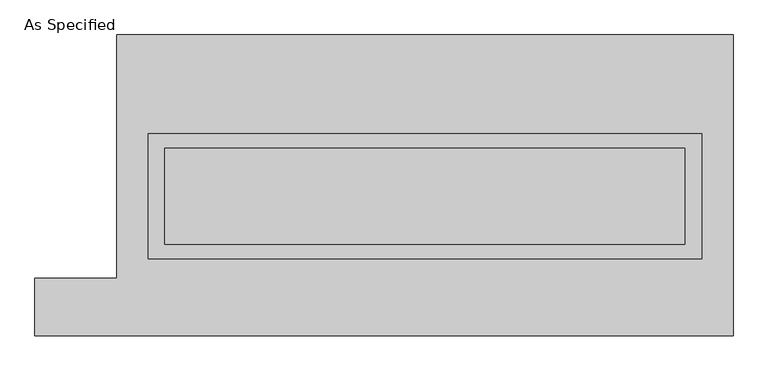
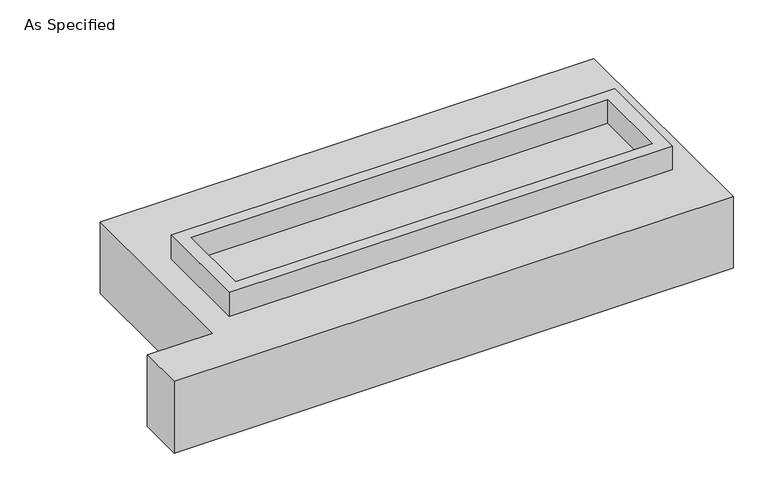
"""IFC4 building model written with IfcOpenShell, lengths in millimetres: proxy geometry, As Specified."""

from ifc_helpers import new_model, si_unit, frame, origin, place, context, project, spatial, polyline, outline, extrude, faceted_brep, source, transform, mapped, element, save


def as_specified_94f23a15(model_context):
    return source(origin(), model_context, "Body", "SolidModel", [
        extrude(outline(polyline([(1460.5, 273.05), (1460.5, -387.35), (-1460.5, -387.35), (-1460.5, 273.05), (1460.5, 273.05)]), holes=[polyline([(1371.6, 196.85), (-1371.6, 196.85), (-1371.6, -311.15), (1371.6, -311.15), (1371.6, 196.85)])]), frame((0.0, 0.0, -25.4), z_axis=(0.0, 0.0, 1.0), x_axis=(1.0, 0.0, 0.0)), (0.0, 0.0, 1.0), 165.1),
        extrude(outline(polyline([(1371.6, 196.85), (1371.6, -311.15), (-1371.6, -311.15), (-1371.6, 196.85), (1371.6, 196.85)])), frame((0.0, 0.0, -30.3609375), z_axis=(0.0, 0.0, 1.0), x_axis=(1.0, 0.0, 0.0)), (0.0, 0.0, 1.0), 4.9609375),
        faceted_brep([(-1625.6, 793.75, -523.875), (1625.6, 793.75, -523.875), (1625.6, -793.75, -523.875), (-2057.4, -793.75, -523.875), (-2057.4, -488.95, -523.875), (-1625.6, -488.95, -523.875), (1625.6, 793.75, -25.4), (-1625.6, 793.75, -25.4), (-1625.6, -488.95, -25.4), (-2057.4, -488.95, -25.4), (-2057.4, -793.75, -25.4), (1625.6, -793.75, -25.4), (-1460.5, -387.35, -25.4), (-1460.5, 273.05, -25.4), (1460.5, 273.05, -25.4), (1460.5, -387.35, -25.4), (1460.5, 273.05, -498.475), (-1460.5, 273.05, -498.475), (-1460.5, -387.35, -498.475), (1460.5, -387.35, -498.475)], [[[0, 1, 2, 3, 4, 5]], [[6, 7, 8, 9, 10, 11], [12, 13, 14, 15]], [[1, 0, 7, 6]], [[7, 0, 5, 8]], [[1, 6, 11, 2]], [[16, 17, 18, 19]], [[18, 17, 13, 12]], [[17, 16, 14, 13]], [[16, 19, 15, 14]], [[12, 15, 19, 18]], [[3, 2, 11, 10]], [[5, 4, 9, 8]], [[4, 3, 10, 9]]]),
    ])


if __name__ == "__main__":
    model = new_model("IFC4")
    model_context = context("Model", 3, world=origin())
    ifc_project = project(units=[si_unit("LENGTHUNIT", "METRE", prefix="MILLI")], contexts=[model_context])
    site = spatial("IfcSite", under=ifc_project)
    building = spatial("IfcBuilding", under=site)
    placement = place(None, origin())
    as_specified_shape = as_specified_94f23a15(model_context)
    element("IfcBuildingElementProxy", 1, Name="As Specified", ObjectType="As Specified", at=placement, inside=building, context=model_context, shape_type="MappedRepresentation", body=[
        mapped(as_specified_shape, transform((0.0, 0.0, 0.0), x_axis=(1.0, 0.0, 0.0), y_axis=(0.0, 1.0, 0.0), z_axis=(0.0, 0.0, 1.0))),
    ])
    save(model, "model.ifc")
